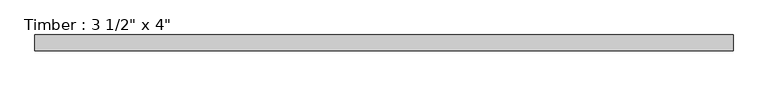
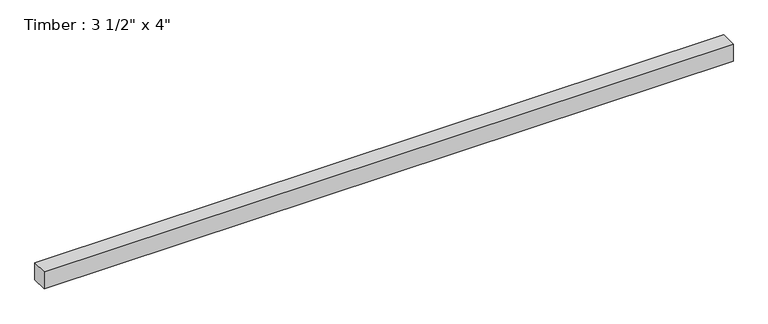
"""IFC4 building model written with IfcOpenShell, lengths in millimetres: beam geometry."""

import ifcopenshell
import ifcopenshell.guid

model = None  # the IFC model being written
_history = None  # IfcOwnerHistory: only IFC2X3 demands one
_inside = {}  # id of a spatial element -> (the spatial element, [elements in it])
_under = {}  # id of a project, library or spatial element -> (it, [spatial elements below it])
_declared = {}  # id of a project -> (the project, [libraries it declares])
_typed = {}  # id of a type object -> (the type object, [elements of that type])
_made_of = {}  # id of a material, layer set ... -> (it, [elements and type objects made of it])


def new_model(schema):
    """Start an empty IFC model of exactly this schema.

    Asked for "IFC4X3", IfcOpenShell would pick the latest addendum, in which some entities
    have other attributes; the version numbers below select the first issue.
    IFC2X3 requires an IfcOwnerHistory on every rooted entity: one is made here for all.
    """
    global model, _history
    if schema == "IFC4X3":
        model = ifcopenshell.file(schema_version=(4, 3, 0, 0))
    else:
        model = ifcopenshell.file(schema=schema)
    _inside.clear()
    _under.clear()
    _declared.clear()
    _typed.clear()
    _made_of.clear()
    _history = None
    if model.schema == "IFC2X3":
        org = make("IfcOrganization", Name="unknown")
        user = make(
            "IfcPersonAndOrganization",
            ThePerson=make("IfcPerson", FamilyName="unknown"),
            TheOrganization=org,
        )
        app = make(
            "IfcApplication",
            ApplicationDeveloper=org,
            Version="unknown",
            ApplicationFullName="unknown",
            ApplicationIdentifier="unknown",
        )
        _history = make(
            "IfcOwnerHistory",
            OwningUser=user,
            OwningApplication=app,
            ChangeAction="ADDED",
            CreationDate=0,
        )
    return model


def make(cls, **values):
    """One entity of the class cls with the attributes given. An attribute that is None is left unset."""
    return model.create_entity(
        cls, **{name: value for name, value in values.items() if value is not None}
    )


def rooted(cls, **values):
    """An entity with a GlobalId (a new one), such as an element, a storey or a relation."""
    return make(cls, GlobalId=ifcopenshell.guid.new(), OwnerHistory=_history, **values)


def si_unit(unit_type, name, prefix=None):
    """IfcSIUnit, for example si_unit("LENGTHUNIT", "METRE", prefix="MILLI")."""
    return make("IfcSIUnit", UnitType=unit_type, Prefix=prefix, Name=name)


def assignment(units):
    """IfcUnitAssignment: the units of a project."""
    return None if units is None else make("IfcUnitAssignment", Units=units)


def point(xyz):
    """IfcCartesianPoint."""
    return None if xyz is None else make("IfcCartesianPoint", Coordinates=xyz)


def direction(xyz):
    """IfcDirection."""
    return None if xyz is None else make("IfcDirection", DirectionRatios=xyz)


def frame(location, z_axis=None, x_axis=None):
    """IfcAxis2Placement3D, a coordinate frame: its origin and axes. An axis left out is left unset."""
    return make(
        "IfcAxis2Placement3D",
        Location=point(location),
        Axis=direction(z_axis),
        RefDirection=direction(x_axis),
    )


def origin():
    """The frame at (0, 0, 0) with its axes left unset."""
    return frame((0.0, 0.0, 0.0))


def place(relative_to, where):
    """IfcLocalPlacement: puts the frame where relative to a parent placement (None: the world)."""
    return make(
        "IfcLocalPlacement", PlacementRelTo=relative_to, RelativePlacement=where
    )


def context(
    kind, dimensions, precision=None, world=None, true_north=None, identifier=None
):
    """IfcGeometricRepresentationContext, for example the 3D "Model" context."""
    return make(
        "IfcGeometricRepresentationContext",
        ContextIdentifier=identifier,
        ContextType=kind,
        CoordinateSpaceDimension=dimensions,
        Precision=precision,
        WorldCoordinateSystem=world,
        TrueNorth=true_north,
    )


def project(units=None, contexts=None):
    """IfcProject with its units and contexts."""
    return rooted(
        "IfcProject",
        Name="project",
        RepresentationContexts=contexts,
        UnitsInContext=assignment(units),
    )


def spatial(cls, under=None, at=None, **own):
    """A site, building, storey or space (cls), placed at a placement, below another one or the project."""
    s = rooted(cls, ObjectPlacement=at, **own)
    if under is not None:
        _under.setdefault(under.id(), (under, []))[1].append(s)
    return s


def polyline(points):
    """IfcPolyline through the points."""
    return make("IfcPolyline", Points=[point(p) for p in points])


def outline(outer, holes=None, kind="AREA"):
    """IfcArbitraryClosedProfileDef: a profile drawn as a closed curve; with holes, ...WithVoids."""
    if holes is None:
        return make("IfcArbitraryClosedProfileDef", ProfileType=kind, OuterCurve=outer)
    return make(
        "IfcArbitraryProfileDefWithVoids",
        ProfileType=kind,
        OuterCurve=outer,
        InnerCurves=holes,
    )


def extrude(swept, where, along, depth):
    """IfcExtrudedAreaSolid: the profile swept, set in the frame where, extruded along a direction by depth."""
    return make(
        "IfcExtrudedAreaSolid",
        SweptArea=swept,
        Position=where,
        ExtrudedDirection=direction(along),
        Depth=depth,
    )


def shape(context_of_items, identifier, shape_type, items):
    """IfcShapeRepresentation: the items that make up one representation, for example the "Body"."""
    return make(
        "IfcShapeRepresentation",
        ContextOfItems=context_of_items,
        RepresentationIdentifier=identifier,
        RepresentationType=shape_type,
        Items=items,
    )


def source(mapping_origin, context_of_items, identifier, shape_type, items):
    """IfcRepresentationMap: a shape defined once, which mapped items show again and again."""
    return make(
        "IfcRepresentationMap",
        MappingOrigin=mapping_origin,
        MappedRepresentation=shape(context_of_items, identifier, shape_type, items),
    )


def transform(
    local_origin,
    x_axis=None,
    y_axis=None,
    z_axis=None,
    scale=None,
    scale2=None,
    scale3=None,
    uniform=True,
):
    """IfcCartesianTransformationOperator3D, or its non-uniform kind. x_axis, y_axis, z_axis: its Axis1, 2, 3."""
    if uniform:
        return make(
            "IfcCartesianTransformationOperator3D",
            Axis1=direction(x_axis),
            Axis2=direction(y_axis),
            LocalOrigin=point(local_origin),
            Scale=scale,
            Axis3=direction(z_axis),
        )
    return make(
        "IfcCartesianTransformationOperator3DnonUniform",
        Axis1=direction(x_axis),
        Axis2=direction(y_axis),
        LocalOrigin=point(local_origin),
        Scale=scale,
        Axis3=direction(z_axis),
        Scale2=scale2,
        Scale3=scale3,
    )


def mapped(mapping_source, mapping_target):
    """IfcMappedItem: shows the shape of a source again, moved by a transform."""
    return make(
        "IfcMappedItem", MappingSource=mapping_source, MappingTarget=mapping_target
    )


def made_of(thing, what):
    """Note that an element or type object is made of a material, layer set ...; save() writes the relation."""
    if what is not None:
        _made_of.setdefault(what.id(), (what, []))[1].append(thing)
    return thing


def element(
    cls,
    number,
    at=None,
    inside=None,
    cuts=None,
    type_object=None,
    material=None,
    context=None,
    identifier="Body",
    shape_type=None,
    held_by="IfcProductDefinitionShape",
    body=None,
    shapes=None,
    **own,
):
    """One element of the class cls, such as IfcWall. Its Tag is "e" and its number.

    at: its placement. inside: the storey or other place that contains it. cuts: it is an
    opening in that element (IfcRelVoidsElement). A single representation is given by context,
    identifier, shape_type and body (its items); several are given by shapes. held_by: the class
    of the entity that holds the representations. save() writes the other relations.
    """
    e = rooted(cls, Tag="e%d" % number, ObjectPlacement=at, **own)
    if body is not None:
        shapes = [shape(context, identifier, shape_type, body)]
    if shapes is not None:
        e.Representation = make(held_by, Representations=shapes)
    if inside is not None:
        _inside.setdefault(inside.id(), (inside, []))[1].append(e)
    if cuts is not None:
        rooted(
            "IfcRelVoidsElement", RelatingBuildingElement=cuts, RelatedOpeningElement=e
        )
    if type_object is not None:
        _typed.setdefault(type_object.id(), (type_object, []))[1].append(e)
    return made_of(e, material)


def aggregate(whole, parts):
    """IfcRelAggregates: a whole, such as a stair, and the parts it consists of."""
    return rooted("IfcRelAggregates", RelatingObject=whole, RelatedObjects=parts)


def save(model, path):
    """Write the relations noted so far, then the file.

    IfcRelAggregates (storeys below a building ...), IfcRelContainedInSpatialStructure (elements
    in a storey), IfcRelDefinesByType, IfcRelAssociatesMaterial and IfcRelDeclares: one each for
    every whole, place, type object, material and project.
    """
    for whole, parts in _under.values():
        aggregate(whole, parts)
    for where, things in _inside.values():
        rooted(
            "IfcRelContainedInSpatialStructure",
            RelatedElements=things,
            RelatingStructure=where,
        )
    for kind, things in _typed.values():
        rooted("IfcRelDefinesByType", RelatedObjects=things, RelatingType=kind)
    for what, things in _made_of.values():
        rooted("IfcRelAssociatesMaterial", RelatedObjects=things, RelatingMaterial=what)
    for by, libraries in _declared.values():
        rooted("IfcRelDeclares", RelatingContext=by, RelatedDefinitions=libraries)
    model.write(path)


def beam_5e689fc6(model_context):
    return source(origin(), model_context, "Body", "SweptSolid", [
        extrude(outline(polyline([(1930.8104986, 44.45), (1930.8104986, -44.45), (-1930.8104986, -44.45), (-1930.8104986, 44.45), (1930.8104986, 44.45)])), frame((0.0, 0.0, -50.8), z_axis=(0.0, 0.0, 1.0), x_axis=(1.0, 0.0, 0.0)), (0.0, 0.0, 1.0), 101.6),
    ])


if __name__ == "__main__":
    model = new_model("IFC4")
    model_context = context("Model", 3, world=origin())
    ifc_project = project(units=[si_unit("LENGTHUNIT", "METRE", prefix="MILLI")], contexts=[model_context])
    site = spatial("IfcSite", under=ifc_project)
    building = spatial("IfcBuilding", under=site)
    placement = place(None, origin())
    beam_shape = beam_5e689fc6(model_context)
    element("IfcBeam", 1, ObjectType="Timber : 3 1/2\" x 4\"", at=placement, inside=building, context=model_context, shape_type="MappedRepresentation", body=[
        mapped(beam_shape, transform((0.0, 0.0, 0.0), x_axis=(1.0, 0.0, 0.0), y_axis=(0.0, 1.0, 0.0), z_axis=(0.0, 0.0, 1.0))),
    ])
    save(model, "model.ifc")
